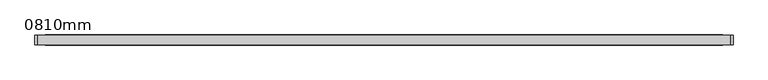
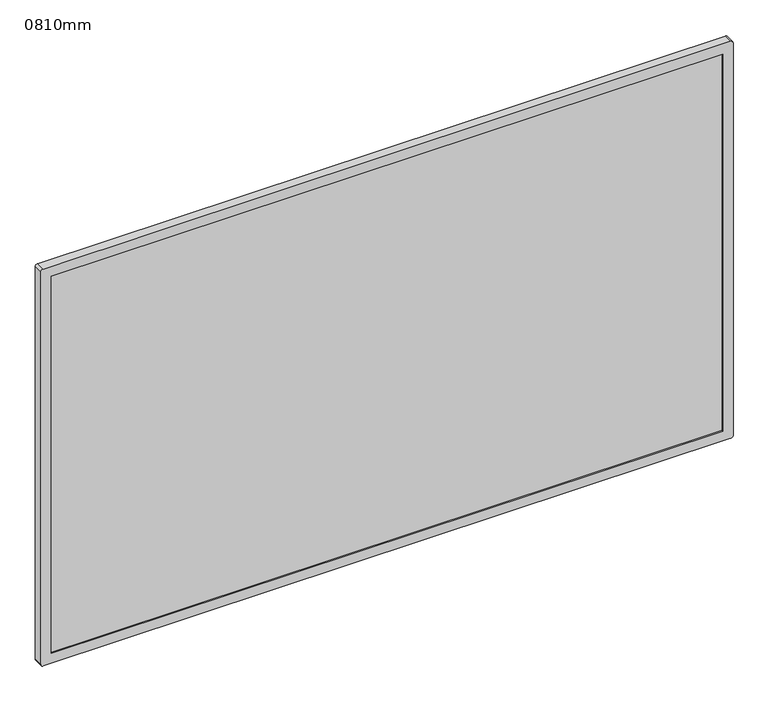
"""IFC4 building model written with IfcOpenShell, lengths in millimetres: proxy geometry, 0810mm."""

from ifc_helpers import new_model, si_unit, frame, origin, place, context, project, spatial, polyline, circle_curve, outline, extrude, source, transform, mapped, element, save
from ifc_brep_helpers import plane_surface, cylinder_surface, advanced_brep


def proxy_0810mm_23324b9b(model_context):
    return source(origin(), model_context, "Body", "SolidModel", [
        extrude(outline(polyline([(-701.3662244, -51.4613764), (578.6337756, -51.4613764), (578.6337756, -66.4613764), (-701.3662244, -66.4613764), (-701.3662244, -51.4613764)])), frame((0.0, 0.0, 80.0), z_axis=(0.0, 0.0, 1.0), x_axis=(1.0, 0.0, 0.0)), (0.0, 0.0, 1.0), 760.0),
        advanced_brep(
        [(593.6337756, -69.4613764, 860.0), (-716.3662244, -69.4613764, 860.0), (-721.3662244, -69.4613764, 855.0), (-721.3662244, -69.4613764, 65.0), (-716.3662244, -69.4613764, 60.0), (593.6337756, -69.4613764, 60.0), (598.6337756, -69.4613764, 65.0), (598.6337756, -69.4613764, 855.0), (578.6337756, -69.4613764, 840.0), (578.6337756, -69.4613764, 80.0), (-701.3662244, -69.4613764, 80.0), (-701.3662244, -69.4613764, 840.0), (593.6337756, -51.4613764, 860.0), (598.6337756, -51.4613764, 855.0), (598.6337756, -51.4613764, 65.0), (593.6337756, -51.4613764, 60.0), (-716.3662244, -51.4613764, 60.0), (-721.3662244, -51.4613764, 65.0), (-721.3662244, -51.4613764, 855.0), (-716.3662244, -51.4613764, 860.0), (578.6337756, -51.4613764, 840.0), (-701.3662244, -51.4613764, 840.0), (-701.3662244, -51.4613764, 80.0), (578.6337756, -51.4613764, 80.0), (578.6337756, -66.4613764, 840.0), (578.6337756, -66.4613764, 80.0), (-701.3662244, -66.4613764, 80.0), (-701.3662244, -66.4613764, 840.0)],
        [
            (0, 1),
            (1, 2, circle_curve(frame((-716.3662244, -69.4613764, 855.0), z_axis=(0.0, -1.0, 0.0), x_axis=(1.0, 0.0, 0.0)), 5.0)),
            (2, 3),
            (3, 4, circle_curve(frame((-716.3662244, -69.4613764, 65.0), z_axis=(0.0, -1.0, 0.0), x_axis=(1.0, 0.0, 0.0)), 5.0)),
            (4, 5),
            (5, 6, circle_curve(frame((593.6337756, -69.4613764, 65.0), z_axis=(0.0, -1.0, 0.0), x_axis=(1.0, 0.0, 0.0)), 5.0)),
            (6, 7),
            (7, 0, circle_curve(frame((593.6337756, -69.4613764, 855.0), z_axis=(0.0, -1.0, 0.0), x_axis=(1.0, 0.0, 0.0)), 5.0)),
            (8, 9),
            (9, 10),
            (10, 11),
            (11, 8),
            (12, 13, circle_curve(frame((593.6337756, -51.4613764, 855.0), z_axis=(0.0, 1.0, 0.0), x_axis=(1.0, 0.0, 0.0)), 5.0)),
            (13, 14),
            (14, 15, circle_curve(frame((593.6337756, -51.4613764, 65.0), z_axis=(0.0, 1.0, 0.0), x_axis=(1.0, 0.0, 0.0)), 5.0)),
            (15, 16),
            (16, 17, circle_curve(frame((-716.3662244, -51.4613764, 65.0), z_axis=(0.0, 1.0, 0.0), x_axis=(1.0, 0.0, 0.0)), 5.0)),
            (17, 18),
            (18, 19, circle_curve(frame((-716.3662244, -51.4613764, 855.0), z_axis=(0.0, 1.0, 0.0), x_axis=(1.0, 0.0, 0.0)), 5.0)),
            (19, 12),
            (20, 21),
            (21, 22),
            (22, 23),
            (23, 20),
            (0, 12),
            (19, 1),
            (2, 18),
            (17, 3),
            (16, 4),
            (15, 5),
            (6, 14),
            (13, 7),
            (8, 24),
            (24, 20),
            (23, 25),
            (25, 9),
            (22, 26),
            (26, 10),
            (21, 27),
            (27, 11),
        ],
        [
            plane_surface(frame((-421.9248214, -69.4613764, 860.0), z_axis=(0.0, -1.0, 0.0), x_axis=(-1.0, 0.0, 0.0))),
            plane_surface(frame((-421.9248214, -51.4613764, 860.0), z_axis=(0.0, 1.0, 0.0), x_axis=(1.0, 0.0, 0.0))),
            plane_surface(frame((593.6337756, -69.4613764, 860.0), z_axis=(0.0, 0.0, 1.0), x_axis=(0.0, 1.0, 0.0))),
            plane_surface(frame((-721.3662244, -69.4613764, 855.0), z_axis=(-1.0, 0.0, 0.0), x_axis=(0.0, 1.0, 0.0))),
            cylinder_surface(frame((-716.3662244, -51.4613764, 65.0), z_axis=(0.0, -1.0, 0.0), x_axis=(1.0, 0.0, 0.0)), 5.0),
            plane_surface(frame((-716.3662244, -69.4613764, 60.0), z_axis=(0.0, 0.0, -1.0), x_axis=(0.0, 1.0, 0.0))),
            plane_surface(frame((598.6337756, -69.4613764, 65.0), z_axis=(1.0, 0.0, 0.0), x_axis=(0.0, 1.0, 0.0))),
            plane_surface(frame((578.6337756, -69.4613764, 840.0), z_axis=(-1.0, 0.0, 0.0), x_axis=(0.0, 1.0, 0.0))),
            plane_surface(frame((578.6337756, -69.4613764, 80.0), z_axis=(0.0, 0.0, 1.0), x_axis=(0.0, 1.0, 0.0))),
            plane_surface(frame((-701.3662244, -69.4613764, 80.0), z_axis=(1.0, 0.0, 0.0), x_axis=(0.0, 1.0, 0.0))),
            plane_surface(frame((-701.3662244, -69.4613764, 840.0), z_axis=(0.0, 0.0, -1.0), x_axis=(0.0, 1.0, 0.0))),
            cylinder_surface(frame((-716.3662244, -51.4613764, 855.0), z_axis=(0.0, -1.0, 0.0), x_axis=(1.0, 0.0, 0.0)), 5.0),
            cylinder_surface(frame((593.6337756, -51.4613764, 65.0), z_axis=(0.0, -1.0, 0.0), x_axis=(1.0, 0.0, 0.0)), 5.0),
            cylinder_surface(frame((593.6337756, -51.4613764, 855.0), z_axis=(0.0, -1.0, 0.0), x_axis=(1.0, 0.0, 0.0)), 5.0),
        ],
        [
            (0, [[1, 2, 3, 4, 5, 6, 7, 8], [9, 10, 11, 12]]),
            (1, [[13, 14, 15, 16, 17, 18, 19, 20], [21, 22, 23, 24]]),
            (2, [[-1, 25, -20, 26]]),
            (3, [[-3, 27, -18, 28]]),
            (4, [[-4, -28, -17, 29]]),
            (5, [[-5, -29, -16, 30]]),
            (6, [[-7, 31, -14, 32]]),
            (7, [[-9, 33, 34, -24, 35, 36]]),
            (8, [[-10, -36, -35, -23, 37, 38]]),
            (9, [[-11, -38, -37, -22, 39, 40]]),
            (10, [[-12, -40, -39, -21, -34, -33]]),
            (11, [[-2, -26, -19, -27]]),
            (12, [[-6, -30, -15, -31]]),
            (13, [[-8, -32, -13, -25]]),
        ],
    ),
        extrude(outline(polyline([(578.6337756, -51.4613764), (-701.3662244, -51.4613764), (-701.3662244, -50.4613764), (578.6337756, -50.4613764), (578.6337756, -51.4613764)])), frame((0.0, 0.0, 80.0), z_axis=(0.0, 0.0, 1.0), x_axis=(1.0, 0.0, 0.0)), (0.0, 0.0, 1.0), 760.0),
    ])


if __name__ == "__main__":
    model = new_model("IFC4")
    model_context = context("Model", 3, world=origin())
    ifc_project = project(units=[si_unit("LENGTHUNIT", "METRE", prefix="MILLI")], contexts=[model_context])
    site = spatial("IfcSite", under=ifc_project)
    building = spatial("IfcBuilding", under=site)
    placement = place(None, origin())
    proxy_0810mm_shape = proxy_0810mm_23324b9b(model_context)
    element("IfcBuildingElementProxy", 1, Name="0810mm", ObjectType="0810mm", at=placement, inside=building, context=model_context, shape_type="MappedRepresentation", body=[
        mapped(proxy_0810mm_shape, transform((0.0, 0.0, 0.0), x_axis=(1.0, 0.0, 0.0), y_axis=(0.0, 1.0, 0.0), z_axis=(0.0, 0.0, 1.0))),
    ])
    save(model, "model.ifc")
